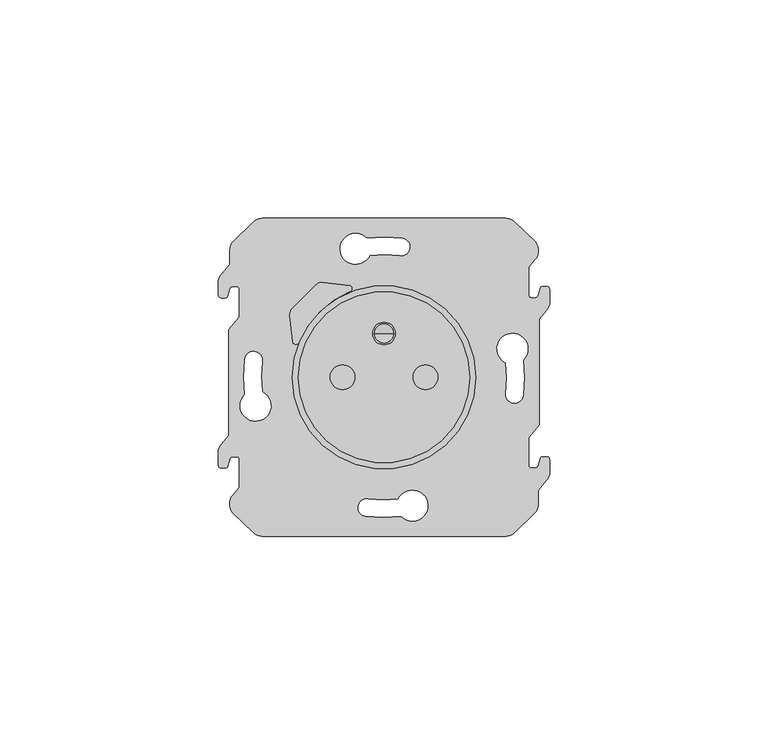
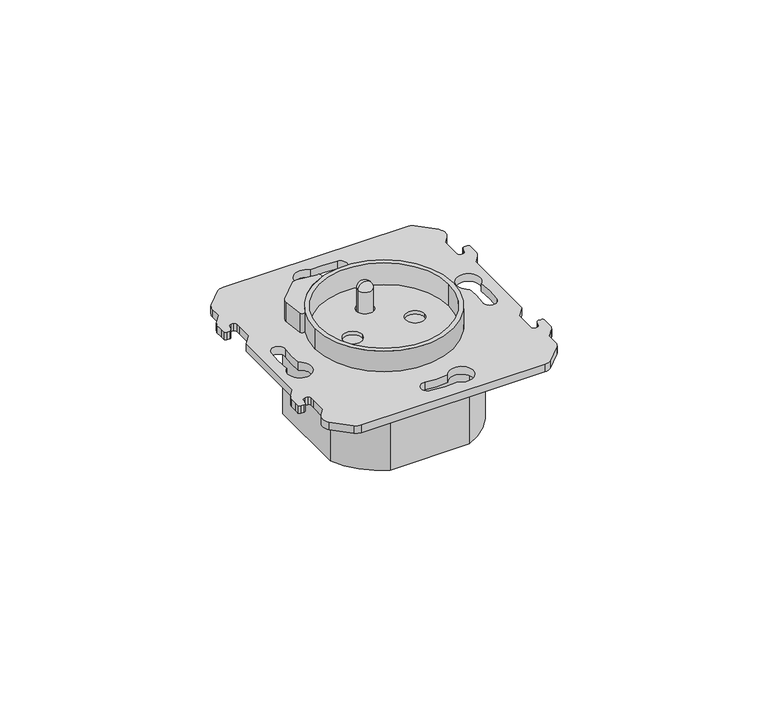
"""IFC4 building model written with IfcOpenShell, lengths in millimetres: proxy geometry."""

from ifc_helpers import new_model, si_unit, point, frame, frame_2d, origin, origin_with_axes, place, context, project, spatial, polyline, circle_curve, ellipse_curve, trimmed, segment, composite_curve, outline, extrude, source, transform, mapped, element, save
from ifc_brep_helpers import plane_surface, cylinder_surface, revolved_surface, advanced_brep


def electrical_fixtures_e4892c98(model_context):
    return source(origin(), model_context, "Body", "SolidModel", [
        advanced_brep(
        [(-5.3618856, 58.9, 1.4999955), (-7.3352401, 58.1817577, 1.4999955), (-12.0623304, 53.6003524, 1.4999955), (-12.825, 51.7544998, 1.4999955), (-12.825, 48.358147, 1.4999955), (-14.6551375, 46.1770741, 1.4999955), (-15.3831369, 44.7482948, 1.4999955), (-15.3831369, 42.6032876, 1.4999955), (-15.3831369, 41.3, 1.4999955), (-14.7831369, 40.7, 1.4999955), (-13.8845347, 40.7, 1.4999955), (-13.2308768, 41.1925666, 1.4999955), (-13.0094096, 41.9649142, 1.4999955), (-12.7678212, 42.8074334, 1.4999955), (-12.1141632, 43.3, 1.4999955), (-11.215561, 43.3, 1.4999955), (-10.615561, 42.7, 1.4999955), (-10.615561, 41.3967124, 1.4999955), (-10.615561, 36.2941352, 1.4999955), (-13.0, 33.4524715, 1.4999955), (-13.0, 9.1495901, 1.4999955), (-14.6551375, 7.1770741, 1.4999955), (-15.3831369, 5.7482948, 1.4999955), (-15.3831369, 3.6032876, 1.4999955), (-15.3831369, 2.3, 1.4999955), (-14.7831369, 1.7, 1.4999955), (-13.8845347, 1.7, 1.4999955), (-13.2308768, 2.1925666, 1.4999955), (-13.0094096, 2.9649142, 1.4999955), (-12.7678212, 3.8074334, 1.4999955), (-12.1141632, 4.3, 1.4999955), (-11.215561, 4.3, 1.4999955), (-10.615561, 3.7, 1.4999955), (-10.615561, 2.3967124, 1.4999955), (-10.615561, -2.7058648, 1.4999955), (-12.0487493, -4.4138721, 1.4999955), (-12.0483311, -8.5880492, 1.4999955), (-7.3352401, -13.1817577, 1.4999955), (-5.3618856, -13.9, 1.4999955), (50.3618856, -13.9, 1.4999955), (52.3352401, -13.1817577, 1.4999955), (57.0623304, -8.6003524, 1.4999955), (57.825, -6.7544998, 1.4999955), (57.825, -3.358147, 1.4999955), (59.6551375, -1.1770741, 1.4999955), (60.3831369, 0.2517052, 1.4999955), (60.3831369, 2.3967124, 1.4999955), (60.3831369, 3.7, 1.4999955), (59.7831369, 4.3, 1.4999955), (58.8845347, 4.3, 1.4999955), (58.2308768, 3.8074334, 1.4999955), (58.0094096, 3.0350858, 1.4999955), (57.7678212, 2.1925666, 1.4999955), (57.1141632, 1.7, 1.4999955), (56.215561, 1.7, 1.4999955), (55.615561, 2.3, 1.4999955), (55.615561, 3.6032876, 1.4999955), (55.615561, 8.7058648, 1.4999955), (58.0, 11.5475285, 1.4999955), (58.0, 35.8504099, 1.4999955), (59.6551375, 37.8229259, 1.4999955), (60.3831369, 39.2517052, 1.4999955), (60.3831369, 41.3967124, 1.4999955), (60.3831369, 42.7, 1.4999955), (59.7831369, 43.3, 1.4999955), (58.8845347, 43.3, 1.4999955), (58.2308768, 42.8074334, 1.4999955), (58.0094096, 42.0350858, 1.4999955), (57.7678212, 41.1925666, 1.4999955), (57.1141632, 40.7, 1.4999955), (56.215561, 40.7, 1.4999955), (55.615561, 41.3, 1.4999955), (55.615561, 42.6032876, 1.4999955), (55.615561, 47.7058648, 1.4999955), (57.0487493, 49.4138721, 1.4999955), (57.0483311, 53.5880492, 1.4999955), (52.3352401, 58.1817577, 1.4999955), (50.3618856, 58.9, 1.4999955), (50.4050903, 25.7948561, 1.4999955), (54.3556482, 26.4616572, 1.4999955), (54.3309119, 18.3239237, 1.4999955), (50.3589525, 18.8422789, 1.4999955), (-5.4050903, 19.2051439, 1.4999955), (-9.3556482, 18.5383428, 1.4999955), (-9.3309119, 26.6760763, 1.4999955), (-5.3589525, 26.1577211, 1.4999955), (19.2051439, 50.4050903, 1.4999955), (18.5383428, 54.3556482, 1.4999955), (26.6760763, 54.3309119, 1.4999955), (26.1577211, 50.3589525, 1.4999955), (25.7948561, -5.4050903, 1.4999955), (26.4616572, -9.3556482, 1.4999955), (18.3239237, -9.3309119, 1.4999955), (18.8422789, -5.3589525, 1.4999955), (1.5, 22.5, 1.4999955), (43.5, 22.5, 1.4999955), (-5.3618856, 58.9, -0.9375053), (50.3618856, 58.9, -0.9375053), (52.3352401, 58.1817577, -0.9375053), (57.0623304, 53.6003524, -0.9375053), (57.0487493, 49.4138721, -0.9375053), (55.615561, 47.7058648, -0.9375053), (55.615561, 42.6032876, -0.9375053), (55.615561, 41.3, -0.9375053), (56.215561, 40.7, -0.9375053), (57.1141632, 40.7, -0.9375053), (57.7678212, 41.1925666, -0.9375053), (58.0094096, 42.0350858, -0.9375053), (58.2308768, 42.8074334, -0.9375053), (58.8845347, 43.3, -0.9375053), (59.7831369, 43.3, -0.9375053), (60.3831369, 42.7, -0.9375053), (60.3831369, 41.3967124, -0.9375053), (60.3831369, 39.2517052, -0.9375053), (59.6551375, 37.8229259, -0.9375053), (58.0, 35.8504099, -0.9375053), (58.0, 11.5475285, -0.9375053), (55.615561, 8.7058648, -0.9375053), (55.615561, 3.6032876, -0.9375053), (55.615561, 2.3, -0.9375053), (56.215561, 1.7, -0.9375053), (57.1141632, 1.7, -0.9375053), (57.7678212, 2.1925666, -0.9375053), (58.0094096, 3.0350858, -0.9375053), (58.2308768, 3.8074334, -0.9375053), (58.8845347, 4.3, -0.9375053), (59.7831369, 4.3, -0.9375053), (60.3831369, 3.7, -0.9375053), (60.3831369, 2.3967124, -0.9375053), (60.3831369, 0.2517052, -0.9375053), (59.6551375, -1.1770741, -0.9375053), (57.825, -3.358147, -0.9375053), (57.825, -6.7544998, -0.9375053), (57.0483311, -8.5880492, -0.9375053), (52.3352401, -13.1817577, -0.9375053), (50.3618856, -13.9, -0.9375053), (-5.3618856, -13.9, -0.9375053), (-7.3352401, -13.1817577, -0.9375053), (-12.0623304, -8.6003524, -0.9375053), (-12.0487493, -4.4138721, -0.9375053), (-10.615561, -2.7058648, -0.9375053), (-10.615561, 2.3967124, -0.9375053), (-10.615561, 3.7, -0.9375053), (-11.215561, 4.3, -0.9375053), (-12.1141632, 4.3, -0.9375053), (-12.7678212, 3.8074334, -0.9375053), (-13.0094096, 2.9649142, -0.9375053), (-13.2308768, 2.1925666, -0.9375053), (-13.8845347, 1.7, -0.9375053), (-14.7831369, 1.7, -0.9375053), (-15.3831369, 2.3, -0.9375053), (-15.3831369, 3.6032876, -0.9375053), (-15.3831369, 5.7482948, -0.9375053), (-14.6551375, 7.1770741, -0.9375053), (-13.0, 9.1495901, -0.9375053), (-13.0, 33.4524715, -0.9375053), (-10.615561, 36.2941352, -0.9375053), (-10.615561, 41.3967124, -0.9375053), (-10.615561, 42.7, -0.9375053), (-11.215561, 43.3, -0.9375053), (-12.1141632, 43.3, -0.9375053), (-12.7678212, 42.8074334, -0.9375053), (-13.0094096, 41.9649142, -0.9375053), (-13.2308768, 41.1925666, -0.9375053), (-13.8845347, 40.7, -0.9375053), (-14.7831369, 40.7, -0.9375053), (-15.3831369, 41.3, -0.9375053), (-15.3831369, 42.6032876, -0.9375053), (-15.3831369, 44.7482948, -0.9375053), (-14.6551375, 46.1770741, -0.9375053), (-12.825, 48.358147, -0.9375053), (-12.825, 51.7544998, -0.9375053), (-12.0483311, 53.5880492, -0.9375053), (-7.3352401, 58.1817577, -0.9375053), (50.4050903, 25.7948561, -0.9375053), (50.3589525, 18.8422789, -0.9375053), (54.3309119, 18.3239237, -0.9375053), (54.3556482, 26.4616572, -0.9375053), (-5.4050903, 19.2051439, -0.9375053), (-5.3589525, 26.1577211, -0.9375053), (-9.3309119, 26.6760763, -0.9375053), (-9.3556482, 18.5383428, -0.9375053), (19.2051439, 50.4050903, -0.9375053), (26.1577211, 50.3589525, -0.9375053), (26.6760763, 54.3309119, -0.9375053), (18.5383428, 54.3556482, -0.9375053), (25.7948561, -5.4050903, -0.9375053), (18.8422789, -5.3589525, -0.9375053), (18.3239237, -9.3309119, -0.9375053), (26.4616572, -9.3556482, -0.9375053), (1.5, 22.5, -0.9375053), (43.5, 22.5, -0.9375053)],
        [
            (0, 1, circle_curve(frame((-5.3618856, 55.8300054, 1.4999955), z_axis=(0.0, 0.0, 1.0), x_axis=(0.0, -1.0, 0.0)), 3.0699946)),
            (1, 2, circle_curve(frame((22.2319767, 22.9449208, 1.4999955), z_axis=(0.0, 0.0, 1.0), x_axis=(0.0, -1.0, 0.0)), 45.9984237)),
            (2, 3, circle_curve(frame((-9.6732427, 51.5007227, 1.4999955), z_axis=(0.0, 0.0, 1.0), x_axis=(0.0, -1.0, 0.0)), 3.1619578)),
            (3, 4),
            (4, 5),
            (5, 6, circle_curve(frame((-12.0250548, 43.9371233, 1.4999955), z_axis=(0.0, 0.0, 1.0), x_axis=(0.0, 1.0, 0.0)), 3.4546657)),
            (6, 7),
            (7, 8),
            (8, 9, circle_curve(frame((-14.7831369, 41.3, 1.4999955), z_axis=(0.0, 0.0, 1.0), x_axis=(0.0, 1.0, 0.0)), 0.6)),
            (9, 10),
            (10, 11, circle_curve(frame((-13.8845347, 41.38, 1.4999955), z_axis=(0.0, 0.0, 1.0), x_axis=(0.0, 1.0, 0.0)), 0.68)),
            (11, 12),
            (12, 13),
            (13, 14, circle_curve(frame((-12.1141632, 42.62, 1.4999955), z_axis=(0.0, 0.0, -1.0), x_axis=(0.0, -1.0, 0.0)), 0.68)),
            (14, 15),
            (15, 16, circle_curve(frame((-11.215561, 42.7, 1.4999955), z_axis=(0.0, 0.0, -1.0), x_axis=(0.0, -1.0, 0.0)), 0.6)),
            (16, 17),
            (17, 18),
            (18, 19),
            (19, 20),
            (20, 21),
            (21, 22, circle_curve(frame((-12.0250548, 4.9371233, 1.4999955), z_axis=(0.0, 0.0, 1.0), x_axis=(0.0, 1.0, 0.0)), 3.4546657)),
            (22, 23),
            (23, 24),
            (24, 25, circle_curve(frame((-14.7831369, 2.3, 1.4999955), z_axis=(0.0, 0.0, 1.0), x_axis=(0.0, 1.0, 0.0)), 0.6)),
            (25, 26),
            (26, 27, circle_curve(frame((-13.8845347, 2.38, 1.4999955), z_axis=(0.0, 0.0, 1.0), x_axis=(0.0, 1.0, 0.0)), 0.68)),
            (27, 28),
            (28, 29),
            (29, 30, circle_curve(frame((-12.1141632, 3.62, 1.4999955), z_axis=(0.0, 0.0, -1.0), x_axis=(0.0, -1.0, 0.0)), 0.68)),
            (30, 31),
            (31, 32, circle_curve(frame((-11.215561, 3.7, 1.4999955), z_axis=(0.0, 0.0, -1.0), x_axis=(0.0, -1.0, 0.0)), 0.6)),
            (32, 33),
            (33, 34),
            (34, 35),
            (35, 36, circle_curve(frame((-9.6732427, -6.5007227, 1.4999955), z_axis=(0.0, 0.0, 1.0), x_axis=(0.0, 1.0, 0.0)), 3.1619578)),
            (36, 37, circle_curve(frame((22.2319767, 22.0550792, 1.4999955), z_axis=(0.0, 0.0, 1.0), x_axis=(0.0, 1.0, 0.0)), 45.9984237)),
            (37, 38, circle_curve(frame((-5.3618856, -10.8300054, 1.4999955), z_axis=(0.0, 0.0, 1.0), x_axis=(0.0, 1.0, 0.0)), 3.0699946)),
            (38, 39),
            (39, 40, circle_curve(frame((50.3618856, -10.8300054, 1.4999955), z_axis=(0.0, 0.0, 1.0), x_axis=(0.0, 1.0, 0.0)), 3.0699946)),
            (40, 41, circle_curve(frame((22.7680233, 22.0550792, 1.4999955), z_axis=(0.0, 0.0, 1.0), x_axis=(0.0, 1.0, 0.0)), 45.9984237)),
            (41, 42, circle_curve(frame((54.6732427, -6.5007227, 1.4999955), z_axis=(0.0, 0.0, 1.0), x_axis=(0.0, 1.0, 0.0)), 3.1619578)),
            (42, 43),
            (43, 44),
            (44, 45, circle_curve(frame((57.0250548, 1.0628767, 1.4999955), z_axis=(0.0, 0.0, 1.0), x_axis=(0.0, -1.0, 0.0)), 3.4546657)),
            (45, 46),
            (46, 47),
            (47, 48, circle_curve(frame((59.7831369, 3.7, 1.4999955), z_axis=(0.0, 0.0, 1.0), x_axis=(0.0, -1.0, 0.0)), 0.6)),
            (48, 49),
            (49, 50, circle_curve(frame((58.8845347, 3.62, 1.4999955), z_axis=(0.0, 0.0, 1.0), x_axis=(0.0, -1.0, 0.0)), 0.68)),
            (50, 51),
            (51, 52),
            (52, 53, circle_curve(frame((57.1141632, 2.38, 1.4999955), z_axis=(0.0, 0.0, -1.0), x_axis=(0.0, 1.0, 0.0)), 0.68)),
            (53, 54),
            (54, 55, circle_curve(frame((56.215561, 2.3, 1.4999955), z_axis=(0.0, 0.0, -1.0), x_axis=(0.0, 1.0, 0.0)), 0.6)),
            (55, 56),
            (56, 57),
            (57, 58),
            (58, 59),
            (59, 60),
            (60, 61, circle_curve(frame((57.0250548, 40.0628767, 1.4999955), z_axis=(0.0, 0.0, 1.0), x_axis=(0.0, -1.0, 0.0)), 3.4546657)),
            (61, 62),
            (62, 63),
            (63, 64, circle_curve(frame((59.7831369, 42.7, 1.4999955), z_axis=(0.0, 0.0, 1.0), x_axis=(0.0, -1.0, 0.0)), 0.6)),
            (64, 65),
            (65, 66, circle_curve(frame((58.8845347, 42.62, 1.4999955), z_axis=(0.0, 0.0, 1.0), x_axis=(0.0, -1.0, 0.0)), 0.68)),
            (66, 67),
            (67, 68),
            (68, 69, circle_curve(frame((57.1141632, 41.38, 1.4999955), z_axis=(0.0, 0.0, -1.0), x_axis=(0.0, 1.0, 0.0)), 0.68)),
            (69, 70),
            (70, 71, circle_curve(frame((56.215561, 41.3, 1.4999955), z_axis=(0.0, 0.0, -1.0), x_axis=(0.0, 1.0, 0.0)), 0.6)),
            (71, 72),
            (72, 73),
            (73, 74),
            (74, 75, circle_curve(frame((54.6732427, 51.5007227, 1.4999955), z_axis=(0.0, 0.0, 1.0), x_axis=(0.0, -1.0, 0.0)), 3.1619578)),
            (75, 76, circle_curve(frame((22.7680233, 22.9449208, 1.4999955), z_axis=(0.0, 0.0, 1.0), x_axis=(0.0, -1.0, 0.0)), 45.9984237)),
            (76, 77, circle_curve(frame((50.3618856, 55.8300054, 1.4999955), z_axis=(0.0, 0.0, 1.0), x_axis=(0.0, -1.0, 0.0)), 3.0699946)),
            (77, 0),
            (78, 79, circle_curve(frame((51.8931272, 29.0149916, 1.4999955), z_axis=(0.0, 0.0, -1.0), x_axis=(0.0, -1.0, 0.0)), 3.5473266)),
            (79, 80, circle_curve(frame((22.4089112, 22.4898617, 1.4999955), z_axis=(0.0, 0.0, -1.0), x_axis=(0.0, -1.0, 0.0)), 32.1926881)),
            (80, 81, circle_curve(frame((52.3424212, 18.5638607, 1.4999955), z_axis=(0.0, 0.0, -1.0), x_axis=(0.0, -1.0, 0.0)), 2.0029141)),
            (81, 78, circle_curve(frame((24.3636153, 22.4912274, 1.4999955), z_axis=(0.0, 0.0, 1.0), x_axis=(0.0, -1.0, 0.0)), 26.2501882)),
            (82, 83, circle_curve(frame((-6.8931272, 15.9850084, 1.4999955), z_axis=(0.0, 0.0, -1.0), x_axis=(0.0, 1.0, 0.0)), 3.5473266)),
            (83, 84, circle_curve(frame((22.5910888, 22.5101383, 1.4999955), z_axis=(0.0, 0.0, -1.0), x_axis=(0.0, 1.0, 0.0)), 32.1926881)),
            (84, 85, circle_curve(frame((-7.3424212, 26.4361393, 1.4999955), z_axis=(0.0, 0.0, -1.0), x_axis=(0.0, 1.0, 0.0)), 2.0029141)),
            (85, 82, circle_curve(frame((20.6363847, 22.5087726, 1.4999955), z_axis=(0.0, 0.0, 1.0), x_axis=(0.0, 1.0, 0.0)), 26.2501882)),
            (86, 87, circle_curve(frame((15.9850084, 51.8931272, 1.4999955), z_axis=(0.0, 0.0, -1.0), x_axis=(1.0, 0.0, 0.0)), 3.5473266)),
            (87, 88, circle_curve(frame((22.5101383, 22.4089112, 1.4999955), z_axis=(0.0, 0.0, -1.0), x_axis=(1.0, 0.0, 0.0)), 32.1926881)),
            (88, 89, circle_curve(frame((26.4361393, 52.3424212, 1.4999955), z_axis=(0.0, 0.0, -1.0), x_axis=(1.0, 0.0, 0.0)), 2.0029141)),
            (89, 86, circle_curve(frame((22.5087726, 24.3636153, 1.4999955), z_axis=(0.0, 0.0, 1.0), x_axis=(1.0, 0.0, 0.0)), 26.2501882)),
            (90, 91, circle_curve(frame((29.0149916, -6.8931272, 1.4999955), z_axis=(0.0, 0.0, -1.0), x_axis=(-1.0, 0.0, 0.0)), 3.5473266)),
            (91, 92, circle_curve(frame((22.4898617, 22.5910888, 1.4999955), z_axis=(0.0, 0.0, -1.0), x_axis=(-1.0, 0.0, 0.0)), 32.1926881)),
            (92, 93, circle_curve(frame((18.5638607, -7.3424212, 1.4999955), z_axis=(0.0, 0.0, -1.0), x_axis=(-1.0, 0.0, 0.0)), 2.0029141)),
            (93, 90, circle_curve(frame((22.4912274, 20.6363847, 1.4999955), z_axis=(0.0, 0.0, 1.0), x_axis=(-1.0, 0.0, 0.0)), 26.2501882)),
            (94, 95, circle_curve(frame((22.5, 22.5, 1.4999955), z_axis=(0.0, 0.0, -1.0), x_axis=(1.0, 0.0, 0.0)), 21.0)),
            (95, 94, circle_curve(frame((22.5, 22.5, 1.4999955), z_axis=(0.0, 0.0, -1.0), x_axis=(1.0, 0.0, 0.0)), 21.0)),
            (96, 97),
            (97, 98, circle_curve(frame((50.3618856, 55.8300054, -0.9375053), z_axis=(0.0, 0.0, -1.0), x_axis=(0.0, -1.0, 0.0)), 3.0699946)),
            (98, 99, circle_curve(frame((22.7680233, 22.9449208, -0.9375053), z_axis=(0.0, 0.0, -1.0), x_axis=(0.0, -1.0, 0.0)), 45.9984237)),
            (99, 100, circle_curve(frame((54.6732427, 51.5007227, -0.9375053), z_axis=(0.0, 0.0, -1.0), x_axis=(0.0, -1.0, 0.0)), 3.1619578)),
            (100, 101),
            (101, 102),
            (102, 103),
            (103, 104, circle_curve(frame((56.215561, 41.3, -0.9375053), z_axis=(0.0, 0.0, 1.0), x_axis=(0.0, 1.0, 0.0)), 0.6)),
            (104, 105),
            (105, 106, circle_curve(frame((57.1141632, 41.38, -0.9375053), z_axis=(0.0, 0.0, 1.0), x_axis=(0.0, 1.0, 0.0)), 0.68)),
            (106, 107),
            (107, 108),
            (108, 109, circle_curve(frame((58.8845347, 42.62, -0.9375053), z_axis=(0.0, 0.0, -1.0), x_axis=(0.0, -1.0, 0.0)), 0.68)),
            (109, 110),
            (110, 111, circle_curve(frame((59.7831369, 42.7, -0.9375053), z_axis=(0.0, 0.0, -1.0), x_axis=(0.0, -1.0, 0.0)), 0.6)),
            (111, 112),
            (112, 113),
            (113, 114, circle_curve(frame((57.0250548, 40.0628767, -0.9375053), z_axis=(0.0, 0.0, -1.0), x_axis=(0.0, -1.0, 0.0)), 3.4546657)),
            (114, 115),
            (115, 116),
            (116, 117),
            (117, 118),
            (118, 119),
            (119, 120, circle_curve(frame((56.215561, 2.3, -0.9375053), z_axis=(0.0, 0.0, 1.0), x_axis=(0.0, 1.0, 0.0)), 0.6)),
            (120, 121),
            (121, 122, circle_curve(frame((57.1141632, 2.38, -0.9375053), z_axis=(0.0, 0.0, 1.0), x_axis=(0.0, 1.0, 0.0)), 0.68)),
            (122, 123),
            (123, 124),
            (124, 125, circle_curve(frame((58.8845347, 3.62, -0.9375053), z_axis=(0.0, 0.0, -1.0), x_axis=(0.0, -1.0, 0.0)), 0.68)),
            (125, 126),
            (126, 127, circle_curve(frame((59.7831369, 3.7, -0.9375053), z_axis=(0.0, 0.0, -1.0), x_axis=(0.0, -1.0, 0.0)), 0.6)),
            (127, 128),
            (128, 129),
            (129, 130, circle_curve(frame((57.0250548, 1.0628767, -0.9375053), z_axis=(0.0, 0.0, -1.0), x_axis=(0.0, -1.0, 0.0)), 3.4546657)),
            (130, 131),
            (131, 132),
            (132, 133, circle_curve(frame((54.6732427, -6.5007227, -0.9375053), z_axis=(0.0, 0.0, -1.0), x_axis=(0.0, 1.0, 0.0)), 3.1619578)),
            (133, 134, circle_curve(frame((22.7680233, 22.0550792, -0.9375053), z_axis=(0.0, 0.0, -1.0), x_axis=(0.0, 1.0, 0.0)), 45.9984237)),
            (134, 135, circle_curve(frame((50.3618856, -10.8300054, -0.9375053), z_axis=(0.0, 0.0, -1.0), x_axis=(0.0, 1.0, 0.0)), 3.0699946)),
            (135, 136),
            (136, 137, circle_curve(frame((-5.3618856, -10.8300054, -0.9375053), z_axis=(0.0, 0.0, -1.0), x_axis=(0.0, 1.0, 0.0)), 3.0699946)),
            (137, 138, circle_curve(frame((22.2319767, 22.0550792, -0.9375053), z_axis=(0.0, 0.0, -1.0), x_axis=(0.0, 1.0, 0.0)), 45.9984237)),
            (138, 139, circle_curve(frame((-9.6732427, -6.5007227, -0.9375053), z_axis=(0.0, 0.0, -1.0), x_axis=(0.0, 1.0, 0.0)), 3.1619578)),
            (139, 140),
            (140, 141),
            (141, 142),
            (142, 143, circle_curve(frame((-11.215561, 3.7, -0.9375053), z_axis=(0.0, 0.0, 1.0), x_axis=(0.0, -1.0, 0.0)), 0.6)),
            (143, 144),
            (144, 145, circle_curve(frame((-12.1141632, 3.62, -0.9375053), z_axis=(0.0, 0.0, 1.0), x_axis=(0.0, -1.0, 0.0)), 0.68)),
            (145, 146),
            (146, 147),
            (147, 148, circle_curve(frame((-13.8845347, 2.38, -0.9375053), z_axis=(0.0, 0.0, -1.0), x_axis=(0.0, 1.0, 0.0)), 0.68)),
            (148, 149),
            (149, 150, circle_curve(frame((-14.7831369, 2.3, -0.9375053), z_axis=(0.0, 0.0, -1.0), x_axis=(0.0, 1.0, 0.0)), 0.6)),
            (150, 151),
            (151, 152),
            (152, 153, circle_curve(frame((-12.0250548, 4.9371233, -0.9375053), z_axis=(0.0, 0.0, -1.0), x_axis=(0.0, 1.0, 0.0)), 3.4546657)),
            (153, 154),
            (154, 155),
            (155, 156),
            (156, 157),
            (157, 158),
            (158, 159, circle_curve(frame((-11.215561, 42.7, -0.9375053), z_axis=(0.0, 0.0, 1.0), x_axis=(0.0, -1.0, 0.0)), 0.6)),
            (159, 160),
            (160, 161, circle_curve(frame((-12.1141632, 42.62, -0.9375053), z_axis=(0.0, 0.0, 1.0), x_axis=(0.0, -1.0, 0.0)), 0.68)),
            (161, 162),
            (162, 163),
            (163, 164, circle_curve(frame((-13.8845347, 41.38, -0.9375053), z_axis=(0.0, 0.0, -1.0), x_axis=(0.0, 1.0, 0.0)), 0.68)),
            (164, 165),
            (165, 166, circle_curve(frame((-14.7831369, 41.3, -0.9375053), z_axis=(0.0, 0.0, -1.0), x_axis=(0.0, 1.0, 0.0)), 0.6)),
            (166, 167),
            (167, 168),
            (168, 169, circle_curve(frame((-12.0250548, 43.9371233, -0.9375053), z_axis=(0.0, 0.0, -1.0), x_axis=(0.0, 1.0, 0.0)), 3.4546657)),
            (169, 170),
            (170, 171),
            (171, 172, circle_curve(frame((-9.6732427, 51.5007227, -0.9375053), z_axis=(0.0, 0.0, -1.0), x_axis=(0.0, -1.0, 0.0)), 3.1619578)),
            (172, 173, circle_curve(frame((22.2319767, 22.9449208, -0.9375053), z_axis=(0.0, 0.0, -1.0), x_axis=(0.0, -1.0, 0.0)), 45.9984237)),
            (173, 96, circle_curve(frame((-5.3618856, 55.8300054, -0.9375053), z_axis=(0.0, 0.0, -1.0), x_axis=(0.0, -1.0, 0.0)), 3.0699946)),
            (174, 175, circle_curve(frame((24.3636153, 22.4912274, -0.9375053), z_axis=(0.0, 0.0, -1.0), x_axis=(0.0, -1.0, 0.0)), 26.2501882)),
            (175, 176, circle_curve(frame((52.3424212, 18.5638607, -0.9375053), z_axis=(0.0, 0.0, 1.0), x_axis=(0.0, -1.0, 0.0)), 2.0029141)),
            (176, 177, circle_curve(frame((22.4089112, 22.4898617, -0.9375053), z_axis=(0.0, 0.0, 1.0), x_axis=(0.0, -1.0, 0.0)), 32.1926881)),
            (177, 174, circle_curve(frame((51.8931272, 29.0149916, -0.9375053), z_axis=(0.0, 0.0, 1.0), x_axis=(0.0, -1.0, 0.0)), 3.5473266)),
            (178, 179, circle_curve(frame((20.6363847, 22.5087726, -0.9375053), z_axis=(0.0, 0.0, -1.0), x_axis=(0.0, 1.0, 0.0)), 26.2501882)),
            (179, 180, circle_curve(frame((-7.3424212, 26.4361393, -0.9375053), z_axis=(0.0, 0.0, 1.0), x_axis=(0.0, 1.0, 0.0)), 2.0029141)),
            (180, 181, circle_curve(frame((22.5910888, 22.5101383, -0.9375053), z_axis=(0.0, 0.0, 1.0), x_axis=(0.0, 1.0, 0.0)), 32.1926881)),
            (181, 178, circle_curve(frame((-6.8931272, 15.9850084, -0.9375053), z_axis=(0.0, 0.0, 1.0), x_axis=(0.0, 1.0, 0.0)), 3.5473266)),
            (182, 183, circle_curve(frame((22.5087726, 24.3636153, -0.9375053), z_axis=(0.0, 0.0, -1.0), x_axis=(1.0, 0.0, 0.0)), 26.2501882)),
            (183, 184, circle_curve(frame((26.4361393, 52.3424212, -0.9375053), z_axis=(0.0, 0.0, 1.0), x_axis=(1.0, 0.0, 0.0)), 2.0029141)),
            (184, 185, circle_curve(frame((22.5101383, 22.4089112, -0.9375053), z_axis=(0.0, 0.0, 1.0), x_axis=(1.0, 0.0, 0.0)), 32.1926881)),
            (185, 182, circle_curve(frame((15.9850084, 51.8931272, -0.9375053), z_axis=(0.0, 0.0, 1.0), x_axis=(1.0, 0.0, 0.0)), 3.5473266)),
            (186, 187, circle_curve(frame((22.4912274, 20.6363847, -0.9375053), z_axis=(0.0, 0.0, -1.0), x_axis=(-1.0, 0.0, 0.0)), 26.2501882)),
            (187, 188, circle_curve(frame((18.5638607, -7.3424212, -0.9375053), z_axis=(0.0, 0.0, 1.0), x_axis=(-1.0, 0.0, 0.0)), 2.0029141)),
            (188, 189, circle_curve(frame((22.4898617, 22.5910888, -0.9375053), z_axis=(0.0, 0.0, 1.0), x_axis=(-1.0, 0.0, 0.0)), 32.1926881)),
            (189, 186, circle_curve(frame((29.0149916, -6.8931272, -0.9375053), z_axis=(0.0, 0.0, 1.0), x_axis=(-1.0, 0.0, 0.0)), 3.5473266)),
            (190, 191, circle_curve(frame((22.5, 22.5, -0.9375053), z_axis=(0.0, 0.0, 1.0), x_axis=(1.0, 0.0, 0.0)), 21.0)),
            (191, 190, circle_curve(frame((22.5, 22.5, -0.9375053), z_axis=(0.0, 0.0, 1.0), x_axis=(1.0, 0.0, 0.0)), 21.0)),
            (0, 96),
            (173, 1),
            (172, 2),
            (36, 138),
            (137, 37),
            (136, 38),
            (135, 39),
            (134, 40),
            (133, 41),
            (132, 42),
            (131, 43),
            (130, 44),
            (129, 45),
            (128, 46),
            (127, 47),
            (126, 48),
            (125, 49),
            (124, 50),
            (123, 51),
            (57, 117),
            (116, 58),
            (115, 59),
            (114, 60),
            (113, 61),
            (112, 62),
            (111, 63),
            (110, 64),
            (109, 65),
            (108, 66),
            (107, 67),
            (73, 101),
            (100, 74),
            (99, 75),
            (98, 76),
            (97, 77),
            (78, 174),
            (177, 79),
            (176, 80),
            (175, 81),
            (82, 178),
            (181, 83),
            (180, 84),
            (179, 85),
            (86, 182),
            (185, 87),
            (184, 88),
            (183, 89),
            (90, 186),
            (189, 91),
            (188, 92),
            (187, 93),
            (171, 3),
            (170, 4),
            (169, 5),
            (168, 6),
            (167, 7),
            (166, 8),
            (165, 9),
            (164, 10),
            (163, 11),
            (162, 12),
            (161, 13),
            (160, 14),
            (159, 15),
            (158, 16),
            (157, 17),
            (156, 18),
            (155, 19),
            (154, 20),
            (153, 21),
            (152, 22),
            (151, 23),
            (150, 24),
            (149, 25),
            (148, 26),
            (147, 27),
            (146, 28),
            (145, 29),
            (144, 30),
            (143, 31),
            (142, 32),
            (141, 33),
            (140, 34),
            (139, 35),
            (122, 52),
            (121, 53),
            (120, 54),
            (119, 55),
            (118, 56),
            (106, 68),
            (105, 69),
            (104, 70),
            (103, 71),
            (102, 72),
            (94, 190),
            (191, 95),
        ],
        [
            plane_surface(frame((-5.3618856, 52.7600108, 1.4999955), z_axis=(0.0, 0.0, 1.0), x_axis=(1.0, 0.0, 0.0))),
            plane_surface(frame((-5.3618856, 52.7600108, -0.9375053), z_axis=(0.0, 0.0, -1.0), x_axis=(-1.0, 0.0, 0.0))),
            cylinder_surface(frame((-5.3618856, 55.8300054, -0.9375053), z_axis=(0.0, 0.0, 1.0), x_axis=(0.0, -1.0, 0.0)), 3.0699946),
            cylinder_surface(frame((22.2319767, 22.9449208, -0.9375053), z_axis=(0.0, 0.0, 1.0), x_axis=(0.0, -1.0, 0.0)), 45.9984237),
            cylinder_surface(frame((22.2319767, 22.0550792, -0.9375053), z_axis=(0.0, 0.0, 1.0), x_axis=(0.0, 1.0, 0.0)), 45.9984237),
            cylinder_surface(frame((-5.3618856, -10.8300054, -0.9375053), z_axis=(0.0, 0.0, 1.0), x_axis=(0.0, 1.0, 0.0)), 3.0699946),
            plane_surface(frame((-5.3618856, -13.9, 1.4999955), z_axis=(0.0, -1.0, 0.0), x_axis=(0.0, 0.0, -1.0))),
            cylinder_surface(frame((50.3618856, -10.8300054, -0.9375053), z_axis=(0.0, 0.0, 1.0), x_axis=(0.0, 1.0, 0.0)), 3.0699946),
            cylinder_surface(frame((22.7680233, 22.0550792, -0.9375053), z_axis=(0.0, 0.0, 1.0), x_axis=(0.0, 1.0, 0.0)), 45.9984237),
            cylinder_surface(frame((54.6732427, -6.5007227, -0.9375053), z_axis=(0.0, 0.0, 1.0), x_axis=(0.0, 1.0, 0.0)), 3.1619578),
            plane_surface(frame((57.825, -6.7544998, 1.4999955), z_axis=(1.0, 0.0, 0.0), x_axis=(0.0, 0.0, -1.0))),
            plane_surface(frame((57.825, -3.358147, 1.4999955), z_axis=(0.7660444431193687, -0.6427876096860737, 0.0), x_axis=(0.0, 0.0, -1.0))),
            cylinder_surface(frame((57.0250548, 1.0628767, -0.9375053), z_axis=(0.0, 0.0, 1.0), x_axis=(0.0, -1.0, 0.0)), 3.4546657),
            plane_surface(frame((60.3831369, 0.2517052, 1.4999955), z_axis=(1.0, 0.0, 0.0), x_axis=(0.0, 0.0, -1.0))),
            plane_surface(frame((60.3831369, 2.3967124, 1.4999955), z_axis=(1.0, 0.0, 0.0), x_axis=(0.0, 0.0, -1.0))),
            cylinder_surface(frame((59.7831369, 3.7, -0.9375053), z_axis=(0.0, 0.0, 1.0), x_axis=(0.0, -1.0, 0.0)), 0.6),
            plane_surface(frame((59.7831369, 4.3, 1.4999955), z_axis=(0.0, 1.0, 0.0), x_axis=(0.0, 0.0, -1.0))),
            cylinder_surface(frame((58.8845347, 3.62, -0.9375053), z_axis=(0.0, 0.0, 1.0), x_axis=(0.0, -1.0, 0.0)), 0.68),
            plane_surface(frame((58.2308768, 3.8074334, 1.4999955), z_axis=(-0.9612616959382921, 0.27563735581709237, 0.0), x_axis=(0.0, 0.0, -1.0))),
            plane_surface(frame((55.615561, 8.7058648, 1.4999955), z_axis=(0.7660444431184645, -0.6427876096871513, 0.0), x_axis=(0.0, 0.0, -1.0))),
            plane_surface(frame((58.0, 11.5475285, 1.4999955), z_axis=(1.0, 0.0, 0.0), x_axis=(0.0, 0.0, -1.0))),
            plane_surface(frame((58.0, 35.8504099, 1.4999955), z_axis=(0.766044443119369, -0.6427876096860735, 0.0), x_axis=(0.0, 0.0, -1.0))),
            cylinder_surface(frame((57.0250548, 40.0628767, -0.9375053), z_axis=(0.0, 0.0, 1.0), x_axis=(0.0, -1.0, 0.0)), 3.4546657),
            plane_surface(frame((60.3831369, 39.2517052, 1.4999955), z_axis=(1.0, 0.0, 0.0), x_axis=(0.0, 0.0, -1.0))),
            plane_surface(frame((60.3831369, 41.3967124, 1.4999955), z_axis=(1.0, 0.0, 0.0), x_axis=(0.0, 0.0, -1.0))),
            cylinder_surface(frame((59.7831369, 42.7, -0.9375053), z_axis=(0.0, 0.0, 1.0), x_axis=(0.0, -1.0, 0.0)), 0.6),
            plane_surface(frame((59.7831369, 43.3, 1.4999955), z_axis=(0.0, 1.0, 0.0), x_axis=(0.0, 0.0, -1.0))),
            cylinder_surface(frame((58.8845347, 42.62, -0.9375053), z_axis=(0.0, 0.0, 1.0), x_axis=(0.0, -1.0, 0.0)), 0.68),
            plane_surface(frame((58.2308768, 42.8074334, 1.4999955), z_axis=(-0.9612616959382918, 0.27563735581709375, 0.0), x_axis=(0.0, 0.0, -1.0))),
            plane_surface(frame((55.615561, 47.7058648, 1.4999955), z_axis=(0.7660444431184653, -0.6427876096871505, 0.0), x_axis=(0.0, 0.0, -1.0))),
            cylinder_surface(frame((54.6732427, 51.5007227, -0.9375053), z_axis=(0.0, 0.0, 1.0), x_axis=(0.0, -1.0, 0.0)), 3.1619578),
            cylinder_surface(frame((22.7680233, 22.9449208, -0.9375053), z_axis=(0.0, 0.0, 1.0), x_axis=(0.0, -1.0, 0.0)), 45.9984237),
            cylinder_surface(frame((50.3618856, 55.8300054, -0.9375053), z_axis=(0.0, 0.0, 1.0), x_axis=(0.0, -1.0, 0.0)), 3.0699946),
            plane_surface(frame((50.3618856, 58.9, 1.4999955), z_axis=(0.0, 1.0, 0.0), x_axis=(0.0, 0.0, -1.0))),
            revolved_surface(polyline([(51.8931272, 25.467664999999997, -0.9375053), (51.8931272, 25.467664999999997, 1.4999955)]), (51.8931272, 29.0149916, -0.9375053), (0.0, 0.0, -1.0)),
            revolved_surface(polyline([(22.4089112, -9.7028264, -0.9375053), (22.4089112, -9.7028264, 1.4999955)]), (22.4089112, 22.4898617, -0.9375053), (0.0, 0.0, -1.0)),
            revolved_surface(polyline([(52.3424212, 16.5609466, -0.9375053), (52.3424212, 16.5609466, 1.4999955)]), (52.3424212, 18.5638607, -0.9375053), (0.0, 0.0, -1.0)),
            cylinder_surface(frame((24.3636153, 22.4912274, -0.9375053), z_axis=(0.0, 0.0, 1.0), x_axis=(0.0, -1.0, 0.0)), 26.2501882),
            revolved_surface(polyline([(-6.8931272, 19.532335, -0.9375053), (-6.8931272, 19.532335, 1.4999955)]), (-6.8931272, 15.9850084, -0.9375053), (0.0, 0.0, -1.0)),
            revolved_surface(polyline([(22.5910888, 54.7028264, -0.9375053), (22.5910888, 54.7028264, 1.4999955)]), (22.5910888, 22.5101383, -0.9375053), (0.0, 0.0, -1.0)),
            revolved_surface(polyline([(-7.3424212, 28.4390534, -0.9375053), (-7.3424212, 28.4390534, 1.4999955)]), (-7.3424212, 26.4361393, -0.9375053), (0.0, 0.0, -1.0)),
            cylinder_surface(frame((20.6363847, 22.5087726, -0.9375053), z_axis=(0.0, 0.0, 1.0), x_axis=(0.0, 1.0, 0.0)), 26.2501882),
            revolved_surface(polyline([(19.532335, 51.8931272, -0.9375053), (19.532335, 51.8931272, 1.4999955)]), (15.9850084, 51.8931272, -0.9375053), (0.0, 0.0, -1.0)),
            revolved_surface(polyline([(54.7028264, 22.4089112, -0.9375053), (54.7028264, 22.4089112, 1.4999955)]), (22.5101383, 22.4089112, -0.9375053), (0.0, 0.0, -1.0)),
            revolved_surface(polyline([(28.4390534, 52.3424212, -0.9375053), (28.4390534, 52.3424212, 1.4999955)]), (26.4361393, 52.3424212, -0.9375053), (0.0, 0.0, -1.0)),
            cylinder_surface(frame((22.5087726, 24.3636153, -0.9375053), z_axis=(0.0, 0.0, 1.0), x_axis=(1.0, 0.0, 0.0)), 26.2501882),
            revolved_surface(polyline([(25.467664999999997, -6.8931272, -0.9375053), (25.467664999999997, -6.8931272, 1.4999955)]), (29.0149916, -6.8931272, -0.9375053), (0.0, 0.0, -1.0)),
            revolved_surface(polyline([(-9.7028264, 22.5910888, -0.9375053), (-9.7028264, 22.5910888, 1.4999955)]), (22.4898617, 22.5910888, -0.9375053), (0.0, 0.0, -1.0)),
            revolved_surface(polyline([(16.5609466, -7.3424212, -0.9375053), (16.5609466, -7.3424212, 1.4999955)]), (18.5638607, -7.3424212, -0.9375053), (0.0, 0.0, -1.0)),
            cylinder_surface(frame((22.4912274, 20.6363847, -0.9375053), z_axis=(0.0, 0.0, 1.0), x_axis=(-1.0, 0.0, 0.0)), 26.2501882),
            cylinder_surface(frame((-9.6732427, 51.5007227, -0.9375053), z_axis=(0.0, 0.0, 1.0), x_axis=(0.0, -1.0, 0.0)), 3.1619578),
            plane_surface(frame((-12.825, 51.7544998, 1.4999955), z_axis=(-1.0, 0.0, 0.0), x_axis=(0.0, 0.0, -1.0))),
            plane_surface(frame((-12.825, 48.358147, 1.4999955), z_axis=(-0.7660444431193687, 0.6427876096860737, 0.0), x_axis=(0.0, 0.0, -1.0))),
            cylinder_surface(frame((-12.0250548, 43.9371233, -0.9375053), z_axis=(0.0, 0.0, 1.0), x_axis=(0.0, 1.0, 0.0)), 3.4546657),
            plane_surface(frame((-15.3831369, 44.7482948, 1.4999955), z_axis=(-1.0, 0.0, 0.0), x_axis=(0.0, 0.0, -1.0))),
            plane_surface(frame((-15.3831369, 42.6032876, 1.4999955), z_axis=(-1.0, 0.0, 0.0), x_axis=(0.0, 0.0, -1.0))),
            cylinder_surface(frame((-14.7831369, 41.3, -0.9375053), z_axis=(0.0, 0.0, 1.0), x_axis=(0.0, 1.0, 0.0)), 0.6),
            plane_surface(frame((-14.7831369, 40.7, 1.4999955), z_axis=(0.0, -1.0, 0.0), x_axis=(0.0, 0.0, -1.0))),
            cylinder_surface(frame((-13.8845347, 41.38, -0.9375053), z_axis=(0.0, 0.0, 1.0), x_axis=(0.0, 1.0, 0.0)), 0.68),
            plane_surface(frame((-13.2308768, 41.1925666, 1.4999955), z_axis=(0.961261695938292, -0.2756373558170931, 0.0), x_axis=(0.0, 0.0, -1.0))),
            plane_surface(frame((-13.0094096, 41.9649142, 1.4999955), z_axis=(0.9612616959382895, -0.27563735581710186, 0.0), x_axis=(0.0, 0.0, -1.0))),
            revolved_surface(polyline([(-12.1141632, 41.94, -0.9375053), (-12.1141632, 41.94, 1.4999955)]), (-12.1141632, 42.62, -0.9375053), (0.0, 0.0, -1.0)),
            plane_surface(frame((-12.1141632, 43.3, 1.4999955), z_axis=(0.0, -1.0, 0.0), x_axis=(0.0, 0.0, -1.0))),
            revolved_surface(polyline([(-11.215561, 42.1, -0.9375053), (-11.215561, 42.1, 1.4999955)]), (-11.215561, 42.7, -0.9375053), (0.0, 0.0, -1.0)),
            plane_surface(frame((-10.615561, 42.7, 1.4999955), z_axis=(-1.0, 0.0, 0.0), x_axis=(0.0, 0.0, -1.0))),
            plane_surface(frame((-10.615561, 41.3967124, 1.4999955), z_axis=(-1.0, 0.0, 0.0), x_axis=(0.0, 0.0, -1.0))),
            plane_surface(frame((-10.615561, 36.2941352, 1.4999955), z_axis=(-0.7660444431184648, 0.642787609687151, 0.0), x_axis=(0.0, 0.0, -1.0))),
            plane_surface(frame((-13.0, 33.4524715, 1.4999955), z_axis=(-1.0, 0.0, 0.0), x_axis=(0.0, 0.0, -1.0))),
            plane_surface(frame((-13.0, 9.1495901, 1.4999955), z_axis=(-0.7660444431193687, 0.6427876096860738, 0.0), x_axis=(0.0, 0.0, -1.0))),
            cylinder_surface(frame((-12.0250548, 4.9371233, -0.9375053), z_axis=(0.0, 0.0, 1.0), x_axis=(0.0, 1.0, 0.0)), 3.4546657),
            plane_surface(frame((-15.3831369, 5.7482948, 1.4999955), z_axis=(-1.0, 0.0, 0.0), x_axis=(0.0, 0.0, -1.0))),
            plane_surface(frame((-15.3831369, 3.6032876, 1.4999955), z_axis=(-1.0, 0.0, 0.0), x_axis=(0.0, 0.0, -1.0))),
            cylinder_surface(frame((-14.7831369, 2.3, -0.9375053), z_axis=(0.0, 0.0, 1.0), x_axis=(0.0, 1.0, 0.0)), 0.6),
            plane_surface(frame((-14.7831369, 1.7, 1.4999955), z_axis=(0.0, -1.0, 0.0), x_axis=(0.0, 0.0, -1.0))),
            cylinder_surface(frame((-13.8845347, 2.38, -0.9375053), z_axis=(0.0, 0.0, 1.0), x_axis=(0.0, 1.0, 0.0)), 0.68),
            plane_surface(frame((-13.2308768, 2.1925666, 1.4999955), z_axis=(0.9612616959382918, -0.27563735581709375, 0.0), x_axis=(0.0, 0.0, -1.0))),
            plane_surface(frame((-13.0094096, 2.9649142, 1.4999955), z_axis=(0.9612616959751431, -0.2756373556885779, 0.0), x_axis=(0.0, 0.0, -1.0))),
            revolved_surface(polyline([(-12.1141632, 2.94, -0.9375053), (-12.1141632, 2.94, 1.4999955)]), (-12.1141632, 3.62, -0.9375053), (0.0, 0.0, -1.0)),
            plane_surface(frame((-12.1141632, 4.3, 1.4999955), z_axis=(0.0, -1.0, 0.0), x_axis=(0.0, 0.0, -1.0))),
            revolved_surface(polyline([(-11.215561, 3.1, -0.9375053), (-11.215561, 3.1, 1.4999955)]), (-11.215561, 3.7, -0.9375053), (0.0, 0.0, -1.0)),
            plane_surface(frame((-10.615561, 3.7, 1.4999955), z_axis=(-1.0, 0.0, 0.0), x_axis=(0.0, 0.0, -1.0))),
            plane_surface(frame((-10.615561, 2.3967124, 1.4999955), z_axis=(-1.0, 0.0, 0.0), x_axis=(0.0, 0.0, -1.0))),
            plane_surface(frame((-10.615561, -2.7058648, 1.4999955), z_axis=(-0.7660444431184645, 0.6427876096871514, 0.0), x_axis=(0.0, 0.0, -1.0))),
            cylinder_surface(frame((-9.6732427, -6.5007227, -0.9375053), z_axis=(0.0, 0.0, 1.0), x_axis=(0.0, 1.0, 0.0)), 3.1619578),
            plane_surface(frame((58.0094096, 3.0350858, 1.4999955), z_axis=(-0.9612616959382895, 0.27563735581710186, 0.0), x_axis=(0.0, 0.0, -1.0))),
            revolved_surface(polyline([(57.1141632, 3.06, -0.9375053), (57.1141632, 3.06, 1.4999955)]), (57.1141632, 2.38, -0.9375053), (0.0, 0.0, -1.0)),
            plane_surface(frame((57.1141632, 1.7, 1.4999955), z_axis=(0.0, 1.0, 0.0), x_axis=(0.0, 0.0, -1.0))),
            revolved_surface(polyline([(56.215561, 2.9, -0.9375053), (56.215561, 2.9, 1.4999955)]), (56.215561, 2.3, -0.9375053), (0.0, 0.0, -1.0)),
            plane_surface(frame((55.615561, 2.3, 1.4999955), z_axis=(1.0, 0.0, 0.0), x_axis=(0.0, 0.0, -1.0))),
            plane_surface(frame((55.615561, 3.6032876, 1.4999955), z_axis=(1.0, 0.0, 0.0), x_axis=(0.0, 0.0, -1.0))),
            plane_surface(frame((58.0094096, 42.0350858, 1.4999955), z_axis=(-0.9612616959751431, 0.2756373556885779, 0.0), x_axis=(0.0, 0.0, -1.0))),
            revolved_surface(polyline([(57.1141632, 42.06, -0.9375053), (57.1141632, 42.06, 1.4999955)]), (57.1141632, 41.38, -0.9375053), (0.0, 0.0, -1.0)),
            plane_surface(frame((57.1141632, 40.7, 1.4999955), z_axis=(0.0, 1.0, 0.0), x_axis=(0.0, 0.0, -1.0))),
            revolved_surface(polyline([(56.215561, 41.9, -0.9375053), (56.215561, 41.9, 1.4999955)]), (56.215561, 41.3, -0.9375053), (0.0, 0.0, -1.0)),
            plane_surface(frame((55.615561, 41.3, 1.4999955), z_axis=(1.0, 0.0, 0.0), x_axis=(0.0, 0.0, -1.0))),
            plane_surface(frame((55.615561, 42.6032876, 1.4999955), z_axis=(1.0, 0.0, 0.0), x_axis=(0.0, 0.0, -1.0))),
            revolved_surface(polyline([(43.5, 22.5, -0.9375053), (43.5, 22.5, 1.4999955)]), (22.5, 22.5, -0.9375053), (0.0, 0.0, -1.0)),
        ],
        [
            (0, [[1, 2, 3, 4, 5, 6, 7, 8, 9, 10, 11, 12, 13, 14, 15, 16, 17, 18, 19, 20, 21, 22, 23, 24, 25, 26, 27, 28, 29, 30, 31, 32, 33, 34, 35, 36, 37, 38, 39, 40, 41, 42, 43, 44, 45, 46, 47, 48, 49, 50, 51, 52, 53, 54, 55, 56, 57, 58, 59, 60, 61, 62, 63, 64, 65, 66, 67, 68, 69, 70, 71, 72, 73, 74, 75, 76, 77, 78], [79, 80, 81, 82], [83, 84, 85, 86], [87, 88, 89, 90], [91, 92, 93, 94], [95, 96]]),
            (1, [[97, 98, 99, 100, 101, 102, 103, 104, 105, 106, 107, 108, 109, 110, 111, 112, 113, 114, 115, 116, 117, 118, 119, 120, 121, 122, 123, 124, 125, 126, 127, 128, 129, 130, 131, 132, 133, 134, 135, 136, 137, 138, 139, 140, 141, 142, 143, 144, 145, 146, 147, 148, 149, 150, 151, 152, 153, 154, 155, 156, 157, 158, 159, 160, 161, 162, 163, 164, 165, 166, 167, 168, 169, 170, 171, 172, 173, 174], [175, 176, 177, 178], [179, 180, 181, 182], [183, 184, 185, 186], [187, 188, 189, 190], [191, 192]]),
            (2, [[-1, 193, -174, 194]]),
            (3, [[-2, -194, -173, 195]]),
            (4, [[-37, 196, -138, 197]]),
            (5, [[-38, -197, -137, 198]]),
            (6, [[-39, -198, -136, 199]]),
            (7, [[-40, -199, -135, 200]]),
            (8, [[-41, -200, -134, 201]]),
            (9, [[-42, -201, -133, 202]]),
            (10, [[-43, -202, -132, 203]]),
            (11, [[-44, -203, -131, 204]]),
            (12, [[-45, -204, -130, 205]]),
            (13, [[-46, -205, -129, 206]]),
            (14, [[-47, -206, -128, 207]]),
            (15, [[-48, -207, -127, 208]]),
            (16, [[-49, -208, -126, 209]]),
            (17, [[-50, -209, -125, 210]]),
            (18, [[-51, -210, -124, 211]]),
            (19, [[-58, 212, -117, 213]]),
            (20, [[-59, -213, -116, 214]]),
            (21, [[-60, -214, -115, 215]]),
            (22, [[-61, -215, -114, 216]]),
            (23, [[-62, -216, -113, 217]]),
            (24, [[-63, -217, -112, 218]]),
            (25, [[-64, -218, -111, 219]]),
            (26, [[-65, -219, -110, 220]]),
            (27, [[-66, -220, -109, 221]]),
            (28, [[-67, -221, -108, 222]]),
            (29, [[-74, 223, -101, 224]]),
            (30, [[-75, -224, -100, 225]]),
            (31, [[-76, -225, -99, 226]]),
            (32, [[-77, -226, -98, 227]]),
            (33, [[-78, -227, -97, -193]]),
            (34, [[-79, 228, -178, 229]]),
            (35, [[-80, -229, -177, 230]]),
            (36, [[-81, -230, -176, 231]]),
            (37, [[-82, -231, -175, -228]]),
            (38, [[-83, 232, -182, 233]]),
            (39, [[-84, -233, -181, 234]]),
            (40, [[-85, -234, -180, 235]]),
            (41, [[-86, -235, -179, -232]]),
            (42, [[-87, 236, -186, 237]]),
            (43, [[-88, -237, -185, 238]]),
            (44, [[-89, -238, -184, 239]]),
            (45, [[-90, -239, -183, -236]]),
            (46, [[-91, 240, -190, 241]]),
            (47, [[-92, -241, -189, 242]]),
            (48, [[-93, -242, -188, 243]]),
            (49, [[-94, -243, -187, -240]]),
            (50, [[-3, -195, -172, 244]]),
            (51, [[-4, -244, -171, 245]]),
            (52, [[-5, -245, -170, 246]]),
            (53, [[-6, -246, -169, 247]]),
            (54, [[-7, -247, -168, 248]]),
            (55, [[-8, -248, -167, 249]]),
            (56, [[-9, -249, -166, 250]]),
            (57, [[-10, -250, -165, 251]]),
            (58, [[-11, -251, -164, 252]]),
            (59, [[-12, -252, -163, 253]]),
            (60, [[-13, -253, -162, 254]]),
            (61, [[-14, -254, -161, 255]]),
            (62, [[-15, -255, -160, 256]]),
            (63, [[-16, -256, -159, 257]]),
            (64, [[-17, -257, -158, 258]]),
            (65, [[-18, -258, -157, 259]]),
            (66, [[-19, -259, -156, 260]]),
            (67, [[-20, -260, -155, 261]]),
            (68, [[-21, -261, -154, 262]]),
            (69, [[-22, -262, -153, 263]]),
            (70, [[-23, -263, -152, 264]]),
            (71, [[-24, -264, -151, 265]]),
            (72, [[-25, -265, -150, 266]]),
            (73, [[-26, -266, -149, 267]]),
            (74, [[-27, -267, -148, 268]]),
            (75, [[-28, -268, -147, 269]]),
            (76, [[-29, -269, -146, 270]]),
            (77, [[-30, -270, -145, 271]]),
            (78, [[-31, -271, -144, 272]]),
            (79, [[-32, -272, -143, 273]]),
            (80, [[-33, -273, -142, 274]]),
            (81, [[-34, -274, -141, 275]]),
            (82, [[-35, -275, -140, 276]]),
            (83, [[-36, -276, -139, -196]]),
            (84, [[-52, -211, -123, 277]]),
            (85, [[-53, -277, -122, 278]]),
            (86, [[-54, -278, -121, 279]]),
            (87, [[-55, -279, -120, 280]]),
            (88, [[-56, -280, -119, 281]]),
            (89, [[-57, -281, -118, -212]]),
            (90, [[-68, -222, -107, 282]]),
            (91, [[-69, -282, -106, 283]]),
            (92, [[-70, -283, -105, 284]]),
            (93, [[-71, -284, -104, 285]]),
            (94, [[-72, -285, -103, 286]]),
            (95, [[-73, -286, -102, -223]]),
            (96, [[-95, 287, -192, 288]]),
            (96, [[-96, -288, -191, -287]]),
        ],
    ),
        extrude(outline(composite_curve([segment(trimmed(circle_curve(frame_2d((2.3466106, 30.7722111)), 0.7476375), [point((3.0397037, 30.4918831))], [point((1.6036818, 30.6884331))], False, "CARTESIAN"), True, "CONTINUOUS"), segment(polyline([(1.6036818, 30.6884331), (0.9388208, 36.5843069)]), True, "CONTINUOUS"), segment(trimmed(circle_curve(frame_2d((2.9611143, 36.8123552)), 2.035111), [point((0.9388208, 36.5843069))], [point((1.5220735, 38.2513961))], False, "CARTESIAN"), True, "CONTINUOUS"), segment(polyline([(1.5220735, 38.2513961), (6.8873949, 43.6167174)]), True, "CONTINUOUS"), segment(trimmed(circle_curve(frame_2d((8.3264357, 42.1776766)), 2.035111), [point((6.8873949, 43.6167174))], [point((8.554484, 44.1999701))], False, "CARTESIAN"), True, "CONTINUOUS"), segment(polyline([(8.554484, 44.1999701), (14.5042296, 43.5290341)]), True, "CONTINUOUS"), segment(trimmed(circle_curve(frame_2d((14.4215488, 42.7958348)), 0.7378465), [point((14.5042296, 43.5290341))], [point((14.6960144, 42.1109362))], False, "CARTESIAN"), True, "CONTINUOUS"), segment(trimmed(circle_curve(frame_2d((22.5076347, 22.6178967)), 21.0), [point((14.6960144, 42.1109362))], [point((3.0397037, 30.4918831))], True, "CARTESIAN"), True, "CONTINUOUS")], self_intersect=False)), frame((0.0, 0.0, 1.4999955), z_axis=(0.0, 0.0, 1.0), x_axis=(1.0, 0.0, 0.0)), (0.0, 0.0, 1.0), 6.5000045),
        extrude(outline(composite_curve([segment(trimmed(circle_curve(frame_2d((22.4867405, 22.5)), 19.6), [point((2.8867405, 22.5))], [point((42.0867405, 22.5))], False, "CARTESIAN"), True, "CONTINUOUS"), segment(trimmed(circle_curve(frame_2d((22.4867405, 22.5)), 19.6), [point((42.0867405, 22.5))], [point((2.8867405, 22.5))], False, "CARTESIAN"), True, "CONTINUOUS")], self_intersect=False), holes=[composite_curve([segment(trimmed(circle_curve(frame_2d((13.0130277, 22.5315089)), 2.8249337), [point((10.1880939, 22.5315089))], [point((15.8379614, 22.5315089))], True, "CARTESIAN"), True, "CONTINUOUS"), segment(trimmed(circle_curve(frame_2d((13.0130277, 22.5315089)), 2.8249337), [point((15.8379614, 22.5315089))], [point((10.1880939, 22.5315089))], True, "CARTESIAN"), True, "CONTINUOUS")], self_intersect=False), composite_curve([segment(trimmed(circle_curve(frame_2d((22.5, 32.5221146)), 2.5812859), [point((19.9187141, 32.5221146))], [point((25.0812859, 32.5221146))], True, "CARTESIAN"), True, "CONTINUOUS"), segment(trimmed(circle_curve(frame_2d((22.5, 32.5221146)), 2.5812859), [point((25.0812859, 32.5221146))], [point((19.9187141, 32.5221146))], True, "CARTESIAN"), True, "CONTINUOUS")], self_intersect=False), composite_curve([segment(trimmed(circle_curve(frame_2d((31.9869723, 22.5315089)), 2.8249337), [point((29.1620386, 22.5315089))], [point((34.8119061, 22.5315089))], True, "CARTESIAN"), True, "CONTINUOUS"), segment(trimmed(circle_curve(frame_2d((31.9869723, 22.5315089)), 2.8249337), [point((34.8119061, 22.5315089))], [point((29.1620386, 22.5315089))], True, "CARTESIAN"), True, "CONTINUOUS")], self_intersect=False)]), origin_with_axes(), (0.0, 0.0, 1.0), 1.0335199),
        extrude(outline(composite_curve([segment(trimmed(circle_curve(frame_2d((22.4867405, 22.5)), 21.0), [point((1.4867405, 22.5))], [point((43.4867405, 22.5))], False, "CARTESIAN"), True, "CONTINUOUS"), segment(trimmed(circle_curve(frame_2d((22.4867405, 22.5)), 21.0), [point((43.4867405, 22.5))], [point((1.4867405, 22.5))], False, "CARTESIAN"), True, "CONTINUOUS")], self_intersect=False), holes=[composite_curve([segment(trimmed(circle_curve(frame_2d((22.4867405, 22.5)), 19.6), [point((2.8867405, 22.5))], [point((42.0867405, 22.5))], True, "CARTESIAN"), True, "CONTINUOUS"), segment(trimmed(circle_curve(frame_2d((22.4867405, 22.5)), 19.6), [point((42.0867405, 22.5))], [point((2.8867405, 22.5))], True, "CARTESIAN"), True, "CONTINUOUS")], self_intersect=False)]), origin_with_axes(), (0.0, 0.0, 1.0), 8.0),
        advanced_brep(
        [(24.6876746, 32.5457839, -7.0052734), (20.3248254, 32.5457839, -7.0052734), (20.3248254, 32.5457839, 7.5613575), (24.6876746, 32.5457839, 7.5613575), (22.50625, 32.5457839, -7.0052734), (22.50625, 32.5457839, 9.7427821)],
        [
            (0, 1, circle_curve(frame((22.50625, 32.5457839, -7.0052734), z_axis=(0.0, 0.0, 1.0), x_axis=(-1.0, 0.0, 0.0)), 2.1814246)),
            (1, 2),
            (2, 3, circle_curve(frame((22.50625, 32.5457839, 7.5613575), z_axis=(0.0, 0.0, -1.0), x_axis=(-1.0, 0.0, 0.0)), 2.1814246)),
            (3, 0),
            (1, 0, circle_curve(frame((22.50625, 32.5457839, -7.0052734), z_axis=(0.0, 0.0, 1.0), x_axis=(-1.0, 0.0, 0.0)), 2.1814246)),
            (3, 2, circle_curve(frame((22.50625, 32.5457839, 7.5613575), z_axis=(0.0, 0.0, -1.0), x_axis=(-1.0, 0.0, 0.0)), 2.1814246)),
            (4, 1),
            (0, 4),
            (2, 5, circle_curve(frame((22.50625, 32.5457839, 7.5613575), z_axis=(0.0, 1.0, 0.0), x_axis=(1.0, 0.0, 0.0)), 2.1814246)),
            (5, 3, circle_curve(frame((22.50625, 32.5457839, 7.5613575), z_axis=(0.0, 1.0, 0.0), x_axis=(-1.0, 0.0, 0.0)), 2.1814246)),
        ],
        [
            cylinder_surface(frame((22.50625, 32.5457839, 10.8625375), z_axis=(0.0, 0.0, -1.0), x_axis=(-1.0, 0.0, 0.0)), 2.1814246),
            plane_surface(frame((22.50625, 32.5457839, -7.0052734), z_axis=(0.0, 0.0, -1.0), x_axis=(-1.0, 0.0, 0.0))),
            revolved_surface(trimmed(ellipse_curve(frame((22.50625, 32.5457839, 7.5613575), z_axis=(0.0, -1.0, 0.0), x_axis=(1.0, 0.0, 0.0)), 2.1814246, 2.1814246), [point((22.50625, 32.5457839, 9.7427821))], [point((20.3248254, 32.5457839, 7.5613575))], True, "CARTESIAN"), (22.50625, 32.5457839, 10.8625375), (0.0, 0.0, -1.0)),
        ],
        [
            (0, [[1, 2, 3, 4]]),
            (0, [[5, -4, 6, -2]]),
            (1, [[7, -1, 8]]),
            (1, [[-8, -5, -7]]),
            (2, [[-3, 9, 10]]),
            (2, [[-6, -10, -9]]),
        ],
    ),
        extrude(outline(composite_curve([segment(trimmed(circle_curve(frame_2d((25.8090347, 26.267337)), 21.987303), [point((34.4825941, 46.4715658))], [point((46.0132635, 34.9408963))], False, "CARTESIAN"), True, "CONTINUOUS"), segment(polyline([(46.0132635, 34.9408963), (46.0132635, 10.0591037)]), True, "CONTINUOUS"), segment(trimmed(circle_curve(frame_2d((25.8090347, 18.732663)), 21.987303), [point((46.0132635, 10.0591037))], [point((34.4825941, -1.4715658))], False, "CARTESIAN"), True, "CONTINUOUS"), segment(polyline([(34.4825941, -1.4715658), (10.5174059, -1.4715658)]), True, "CONTINUOUS"), segment(trimmed(circle_curve(frame_2d((19.1909653, 18.732663)), 21.987303), [point((10.5174059, -1.4715658))], [point((-1.0132635, 10.0591037))], False, "CARTESIAN"), True, "CONTINUOUS"), segment(polyline([(-1.0132635, 10.0591037), (-1.0132635, 34.9408963)]), True, "CONTINUOUS"), segment(trimmed(circle_curve(frame_2d((19.1909653, 26.267337)), 21.987303), [point((-1.0132635, 34.9408963))], [point((10.5174059, 46.4715658))], False, "CARTESIAN"), True, "CONTINUOUS"), segment(polyline([(10.5174059, 46.4715658), (34.4825941, 46.4715658)]), True, "CONTINUOUS")], self_intersect=False)), frame((0.0, 0.0, -26.1102138), z_axis=(0.0, 0.0, 1.0), x_axis=(1.0, 0.0, 0.0)), (0.0, 0.0, 1.0), 25.1727138),
    ])


if __name__ == "__main__":
    model = new_model("IFC4")
    model_context = context("Model", 3, world=origin())
    ifc_project = project(units=[si_unit("LENGTHUNIT", "METRE", prefix="MILLI")], contexts=[model_context])
    site = spatial("IfcSite", under=ifc_project)
    building = spatial("IfcBuilding", under=site)
    placement = place(None, origin())
    electrical_fixtures_shape = electrical_fixtures_e4892c98(model_context)
    element("IfcBuildingElementProxy", 1, Name="Electrical Fixtures", at=placement, inside=building, context=model_context, shape_type="MappedRepresentation", body=[
        mapped(electrical_fixtures_shape, transform((0.0, 0.0, 0.0), x_axis=(1.0, 0.0, 0.0), y_axis=(0.0, 1.0, 0.0), z_axis=(0.0, 0.0, 1.0))),
    ])
    save(model, "model.ifc")
